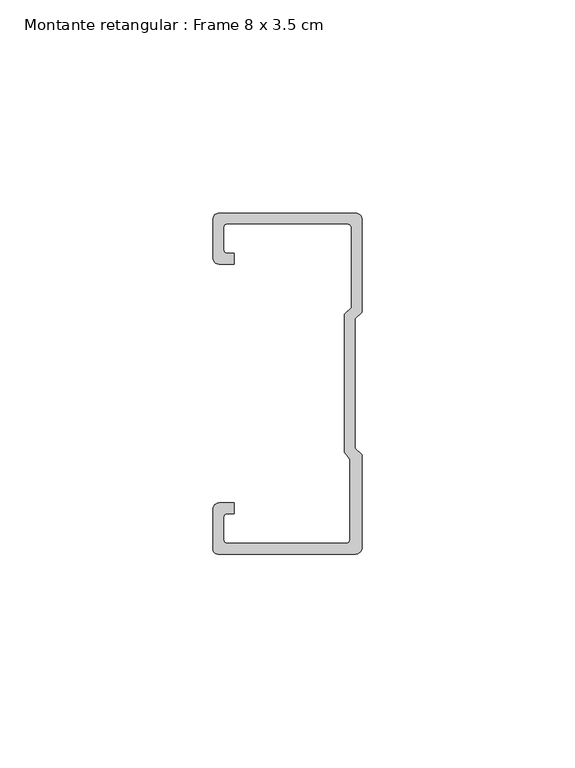
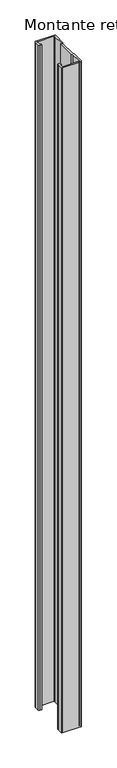
"""IFC4 building model written with IfcOpenShell, lengths in millimetres: member geometry, Montante retangular : Frame 8 x 3.5 cm."""

from ifc_helpers import new_model, si_unit, point, frame, frame_2d, origin, place, context, project, spatial, polyline, circle_curve, trimmed, segment, composite_curve, outline, extrude, source, transform, mapped, element, save


def montante_retangular_frame_8_x_3_5_cm_acdd63b2(model_context):
    return source(origin(), model_context, "Body", "SweptSolid", [
        extrude(outline(composite_curve([segment(polyline([(-17.5, 29.5276505), (-17.5, 38.5)]), True, "CONTINUOUS"), segment(trimmed(circle_curve(frame_2d((-16.0, 38.5)), 1.5), [point((-17.5, 38.5))], [point((-16.0, 40.0))], False, "CARTESIAN"), True, "CONTINUOUS"), segment(polyline([(-16.0, 40.0), (16.0, 40.0)]), True, "CONTINUOUS"), segment(trimmed(circle_curve(frame_2d((16.0, 38.5)), 1.5), [point((16.0, 40.0))], [point((17.5, 38.5))], False, "CARTESIAN"), True, "CONTINUOUS"), segment(polyline([(17.5, 38.5), (17.5, 16.7622662), (15.9122869, 15.174553), (15.9122869, -15.174553), (17.5, -16.7622662), (17.5, -38.5)]), True, "CONTINUOUS"), segment(trimmed(circle_curve(frame_2d((16.0, -38.5)), 1.5), [point((17.5, -38.5))], [point((16.0, -40.0))], False, "CARTESIAN"), True, "CONTINUOUS"), segment(polyline([(16.0, -40.0), (-16.3171833, -40.0)]), True, "CONTINUOUS"), segment(trimmed(circle_curve(frame_2d((-16.3171833, -38.8171833)), 1.1828167), [point((-16.3171833, -40.0))], [point((-17.5, -38.8171833))], False, "CARTESIAN"), True, "CONTINUOUS"), segment(polyline([(-17.5, -38.8171833), (-17.5, -29.5276505)]), True, "CONTINUOUS"), segment(trimmed(circle_curve(frame_2d((-16.0, -29.5276505)), 1.5), [point((-17.5, -29.5276505))], [point((-16.0, -28.0276505))], False, "CARTESIAN"), True, "CONTINUOUS"), segment(polyline([(-16.0, -28.0276505), (-12.5162256, -28.0276505), (-12.5162256, -30.5276505), (-14.0, -30.5276505)]), True, "CONTINUOUS"), segment(trimmed(circle_curve(frame_2d((-14.0, -31.5276505)), 1.0), [point((-14.0, -30.5276505))], [point((-15.0, -31.5276505))], True, "CARTESIAN"), True, "CONTINUOUS"), segment(polyline([(-15.0, -31.5276505), (-15.0, -36.5)]), True, "CONTINUOUS"), segment(trimmed(circle_curve(frame_2d((-14.0, -36.5)), 1.0), [point((-15.0, -36.5))], [point((-14.0, -37.5))], True, "CARTESIAN"), True, "CONTINUOUS"), segment(polyline([(-14.0, -37.5), (13.692786, -37.5)]), True, "CONTINUOUS"), segment(trimmed(circle_curve(frame_2d((13.692786, -36.5)), 1.0), [point((13.692786, -37.5))], [point((14.692786, -36.5))], True, "CARTESIAN"), True, "CONTINUOUS"), segment(polyline([(14.692786, -36.5), (14.692786, -17.7671948), (13.4122869, -16.1794816), (13.4122869, 16.2100869), (15.0, 17.7978001), (15.0, 36.5)]), True, "CONTINUOUS"), segment(trimmed(circle_curve(frame_2d((14.0, 36.5)), 1.0), [point((15.0, 36.5))], [point((14.0, 37.5))], True, "CARTESIAN"), True, "CONTINUOUS"), segment(polyline([(14.0, 37.5), (-14.0, 37.5)]), True, "CONTINUOUS"), segment(trimmed(circle_curve(frame_2d((-14.0, 36.5)), 1.0), [point((-14.0, 37.5))], [point((-15.0, 36.5))], True, "CARTESIAN"), True, "CONTINUOUS"), segment(polyline([(-15.0, 36.5), (-15.0, 31.5276505)]), True, "CONTINUOUS"), segment(trimmed(circle_curve(frame_2d((-14.0, 31.5276505)), 1.0), [point((-15.0, 31.5276505))], [point((-14.0, 30.5276505))], True, "CARTESIAN"), True, "CONTINUOUS"), segment(polyline([(-14.0, 30.5276505), (-12.5162256, 30.5276505), (-12.5162256, 28.0276505), (-16.0, 28.0276505)]), True, "CONTINUOUS"), segment(trimmed(circle_curve(frame_2d((-16.0, 29.5276505)), 1.5), [point((-16.0, 28.0276505))], [point((-17.5, 29.5276505))], False, "CARTESIAN"), True, "CONTINUOUS")], self_intersect=False)), frame((0.0, 0.0, -1217.5), z_axis=(0.0, 0.0, 1.0), x_axis=(1.0, 0.0, 0.0)), (0.0, 0.0, 1.0), 1217.5),
    ])


if __name__ == "__main__":
    model = new_model("IFC4")
    model_context = context("Model", 3, world=origin())
    ifc_project = project(units=[si_unit("LENGTHUNIT", "METRE", prefix="MILLI")], contexts=[model_context])
    site = spatial("IfcSite", under=ifc_project)
    building = spatial("IfcBuilding", under=site)
    placement = place(None, origin())
    montante_retangular_frame_8_x_3_5_cm_shape = montante_retangular_frame_8_x_3_5_cm_acdd63b2(model_context)
    element("IfcMember", 1, ObjectType="Montante retangular : Frame 8 x 3.5 cm", at=placement, inside=building, context=model_context, shape_type="MappedRepresentation", body=[
        mapped(montante_retangular_frame_8_x_3_5_cm_shape, transform((0.0, 0.0, 0.0), x_axis=(1.0, 0.0, 0.0), y_axis=(0.0, 1.0, 0.0), z_axis=(0.0, 0.0, 1.0))),
    ])
    save(model, "model.ifc")
